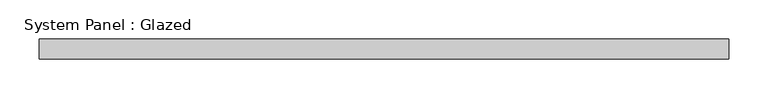
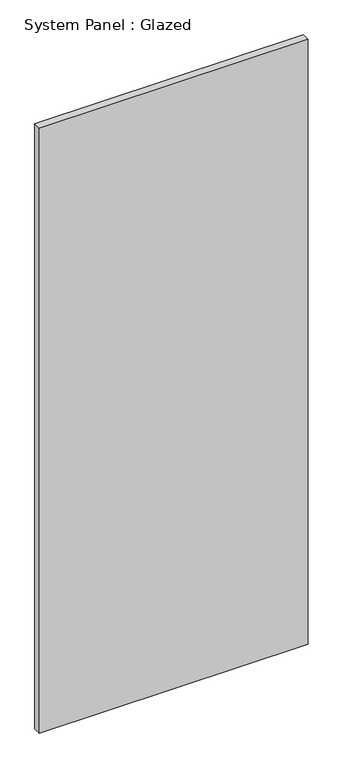
"""IFC4 building model written with IfcOpenShell, lengths in millimetres: plate geometry, System Panel : Glazed."""

from ifc_helpers import new_model, si_unit, origin, origin_with_axes, place, context, project, spatial, polyline, outline, extrude, source, transform, mapped, element, save


def system_panel_glazed_23d25534(model_context):
    return source(origin(), model_context, "Body", "SweptSolid", [
        extrude(outline(polyline([(436.7566244, 19.05), (-436.7566244, 19.05), (-436.7566244, 44.45), (436.7566244, 44.45), (436.7566244, 19.05)])), origin_with_axes(), (0.0, 0.0, 1.0), 2076.45),
    ])


if __name__ == "__main__":
    model = new_model("IFC4")
    model_context = context("Model", 3, world=origin())
    ifc_project = project(units=[si_unit("LENGTHUNIT", "METRE", prefix="MILLI")], contexts=[model_context])
    site = spatial("IfcSite", under=ifc_project)
    building = spatial("IfcBuilding", under=site)
    placement = place(None, origin())
    system_panel_glazed_shape = system_panel_glazed_23d25534(model_context)
    element("IfcPlate", 1, ObjectType="System Panel : Glazed", at=placement, inside=building, context=model_context, shape_type="MappedRepresentation", body=[
        mapped(system_panel_glazed_shape, transform((0.0, 0.0, 0.0), x_axis=(1.0, 0.0, 0.0), y_axis=(0.0, 1.0, 0.0), z_axis=(0.0, 0.0, 1.0))),
    ])
    save(model, "model.ifc")
